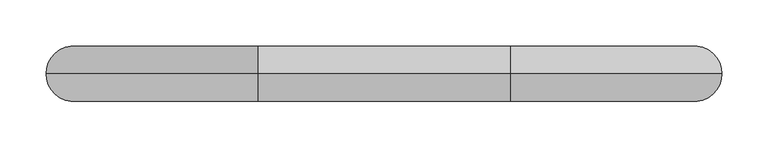
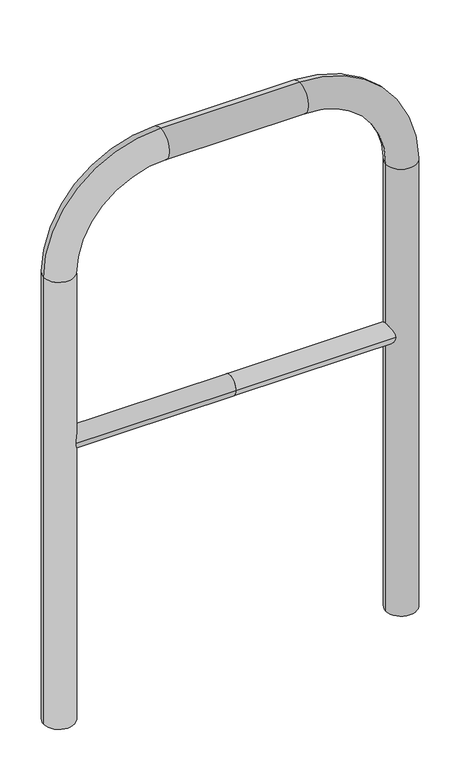
"""IFC4 building model written with IfcOpenShell, lengths in millimetres: proxy geometry."""

from ifc_helpers import new_model, si_unit, point, frame, frame_2d, origin, place, context, project, spatial, circle_curve, ellipse_curve, trimmed, segment, composite_curve, outline, extrude, source, transform, mapped, element, save
from ifc_brep_helpers import plane_surface, cylinder_surface, revolved_surface, advanced_brep


def generic_models_0d0c0618(model_context):
    return source(origin(), model_context, "Body", "SolidModel", [
        extrude(outline(composite_curve([segment(trimmed(circle_curve(frame_2d((0.0, 498.4778375)), 20.0), [point((-20.0, 498.4778375))], [point((20.0, 498.4778375))], False, "CARTESIAN"), True, "CONTINUOUS"), segment(trimmed(circle_curve(frame_2d((0.0, 498.4778375)), 20.0), [point((20.0, 498.4778375))], [point((-20.0, 498.4778375))], False, "CARTESIAN"), True, "CONTINUOUS")], self_intersect=False)), frame((-336.7622881, 0.0, 0.0), z_axis=(1.0, 0.0, 0.0), x_axis=(0.0, 1.0, 0.0)), (0.0, 0.0, 1.0), 336.7622881),
        extrude(outline(composite_curve([segment(trimmed(circle_curve(frame_2d((0.0, 498.4778375)), 20.0), [point((-20.0, 498.4778375))], [point((20.0, 498.4778375))], False, "CARTESIAN"), True, "CONTINUOUS"), segment(trimmed(circle_curve(frame_2d((0.0, 498.4778375)), 20.0), [point((20.0, 498.4778375))], [point((-20.0, 498.4778375))], False, "CARTESIAN"), True, "CONTINUOUS")], self_intersect=False)), frame((0.0, 0.0, 0.0), z_axis=(1.0, 0.0, 0.0), x_axis=(0.0, 1.0, 0.0)), (0.0, 0.0, 1.0), 336.7622881),
        advanced_brep(
        [(-306.7622881, 0.0, -80.0), (-366.7622881, 0.0, -80.0), (-306.7622881, 0.0, 850.0), (-366.7622881, 0.0, 850.0), (-136.7622881, 0.0, 1080.0), (-136.7622881, 0.0, 1020.0), (136.7622881, 0.0, 1020.0), (136.7622881, 0.0, 1080.0), (366.7622881, 0.0, 850.0), (306.7622881, 0.0, 850.0), (306.7622881, 0.0, -80.0), (366.7622881, 0.0, -80.0)],
        [
            (0, 1, circle_curve(frame((-336.7622881, 0.0, -80.0), z_axis=(0.0, 0.0, -1.0), x_axis=(-1.0, 0.0, 0.0)), 30.0)),
            (1, 0, circle_curve(frame((-336.7622881, 0.0, -80.0), z_axis=(0.0, 0.0, -1.0), x_axis=(-1.0, 0.0, 0.0)), 30.0)),
            (0, 2),
            (2, 3, circle_curve(frame((-336.7622881, 0.0, 850.0), z_axis=(0.0, 0.0, -1.0), x_axis=(-1.0, 0.0, 0.0)), 30.0)),
            (3, 1),
            (3, 2, circle_curve(frame((-336.7622881, 0.0, 850.0), z_axis=(0.0, 0.0, -1.0), x_axis=(-1.0, 0.0, 0.0)), 30.0)),
            (4, 3, circle_curve(frame((-136.7622881, 0.0, 850.0), z_axis=(0.0, -1.0, 0.0), x_axis=(-1.0, 0.0, 0.0)), 230.0)),
            (2, 5, circle_curve(frame((-136.7622881, 0.0, 850.0), z_axis=(0.0, 1.0, 0.0), x_axis=(-1.0, 0.0, 0.0)), 170.0)),
            (5, 4, circle_curve(frame((-136.7622881, 0.0, 1050.0), z_axis=(-1.0, 0.0, 0.0), x_axis=(0.0, 0.0, 1.0)), 30.0)),
            (4, 5, circle_curve(frame((-136.7622881, 0.0, 1050.0), z_axis=(-1.0, 0.0, 0.0), x_axis=(0.0, 0.0, 1.0)), 30.0)),
            (5, 6),
            (6, 7, circle_curve(frame((136.7622881, 0.0, 1050.0), z_axis=(-1.0, 0.0, 0.0), x_axis=(0.0, 0.0, 1.0)), 30.0)),
            (7, 4),
            (7, 6, circle_curve(frame((136.7622881, 0.0, 1050.0), z_axis=(-1.0, 0.0, 0.0), x_axis=(0.0, 0.0, 1.0)), 30.0)),
            (8, 7, circle_curve(frame((136.7622881, 0.0, 850.0), z_axis=(0.0, -1.0, 0.0), x_axis=(0.0, 0.0, 1.0)), 230.0)),
            (6, 9, circle_curve(frame((136.7622881, 0.0, 850.0), z_axis=(0.0, 1.0, 0.0), x_axis=(0.0, 0.0, 1.0)), 170.0)),
            (9, 8, circle_curve(frame((336.7622881, 0.0, 850.0), z_axis=(0.0, 0.0, 1.0), x_axis=(1.0, 0.0, 0.0)), 30.0)),
            (8, 9, circle_curve(frame((336.7622881, 0.0, 850.0), z_axis=(0.0, 0.0, 1.0), x_axis=(1.0, 0.0, 0.0)), 30.0)),
            (10, 11, circle_curve(frame((336.7622881, 0.0, -80.0), z_axis=(0.0, 0.0, -1.0), x_axis=(1.0, 0.0, 0.0)), 30.0)),
            (11, 10, circle_curve(frame((336.7622881, 0.0, -80.0), z_axis=(0.0, 0.0, -1.0), x_axis=(1.0, 0.0, 0.0)), 30.0)),
            (9, 10),
            (11, 8),
        ],
        [
            plane_surface(frame((-336.7622881, 0.0, -80.0), z_axis=(0.0, 0.0, -1.0), x_axis=(0.0, -1.0, 0.0))),
            cylinder_surface(frame((-336.7622881, 0.0, -80.0), z_axis=(0.0, 0.0, -1.0), x_axis=(-1.0, 0.0, 0.0)), 30.0),
            revolved_surface(trimmed(ellipse_curve(frame((-336.7622881, 0.0, 850.0), z_axis=(0.0, 0.0, -1.0), x_axis=(-1.0, 0.0, 0.0)), 30.0, 30.0), [point((-306.7622881, 0.0, 850.0))], [point((-366.7622881, 0.0, 850.0))], True, "CARTESIAN"), (-136.7622881, 0.0, 850.0), (0.0, 1.0, 0.0)),
            revolved_surface(trimmed(ellipse_curve(frame((-336.7622881, 0.0, 850.0), z_axis=(0.0, 0.0, -1.0), x_axis=(-1.0, 0.0, 0.0)), 30.0, 30.0), [point((-366.7622881, 0.0, 850.0))], [point((-306.7622881, 0.0, 850.0))], True, "CARTESIAN"), (-136.7622881, 0.0, 850.0), (0.0, 1.0, 0.0)),
            cylinder_surface(frame((-136.7622881, 0.0, 1050.0), z_axis=(-1.0, 0.0, 0.0), x_axis=(0.0, 0.0, 1.0)), 30.0),
            revolved_surface(trimmed(ellipse_curve(frame((136.7622881, 0.0, 1050.0), z_axis=(-1.0, 0.0, 0.0), x_axis=(0.0, 0.0, 1.0)), 30.0, 30.0), [point((136.7622881, 0.0, 1020.0))], [point((136.7622881, 0.0, 1080.0))], True, "CARTESIAN"), (136.7622881, 0.0, 850.0), (0.0, 1.0, 0.0)),
            revolved_surface(trimmed(ellipse_curve(frame((136.7622881, 0.0, 1050.0), z_axis=(-1.0, 0.0, 0.0), x_axis=(0.0, 0.0, 1.0)), 30.0, 30.0), [point((136.7622881, 0.0, 1080.0))], [point((136.7622881, 0.0, 1020.0))], True, "CARTESIAN"), (136.7622881, 0.0, 850.0), (0.0, 1.0, 0.0)),
            plane_surface(frame((336.7622881, 0.0, -80.0), z_axis=(0.0, 0.0, -1.0), x_axis=(0.0, -1.0, 0.0))),
            cylinder_surface(frame((336.7622881, 0.0, 850.0), z_axis=(0.0, 0.0, 1.0), x_axis=(1.0, 0.0, 0.0)), 30.0),
        ],
        [
            (0, [[1, 2]]),
            (1, [[-1, 3, 4, 5]]),
            (1, [[-2, -5, 6, -3]]),
            (2, [[7, -4, 8, 9]]),
            (3, [[-8, -6, -7, 10]]),
            (4, [[-9, 11, 12, 13]]),
            (4, [[-10, -13, 14, -11]]),
            (5, [[15, -12, 16, 17]]),
            (6, [[-16, -14, -15, 18]]),
            (7, [[19, 20]]),
            (8, [[-17, 21, -20, 22]]),
            (8, [[-18, -22, -19, -21]]),
        ],
    ),
    ])


if __name__ == "__main__":
    model = new_model("IFC4")
    model_context = context("Model", 3, world=origin())
    ifc_project = project(units=[si_unit("LENGTHUNIT", "METRE", prefix="MILLI")], contexts=[model_context])
    site = spatial("IfcSite", under=ifc_project)
    building = spatial("IfcBuilding", under=site)
    placement = place(None, origin())
    generic_models_shape = generic_models_0d0c0618(model_context)
    element("IfcBuildingElementProxy", 1, Name="Generic Models", at=placement, inside=building, context=model_context, shape_type="MappedRepresentation", body=[
        mapped(generic_models_shape, transform((0.0, 0.0, 0.0), x_axis=(1.0, 0.0, 0.0), y_axis=(0.0, 1.0, 0.0), z_axis=(0.0, 0.0, 1.0))),
    ])
    save(model, "model.ifc")
